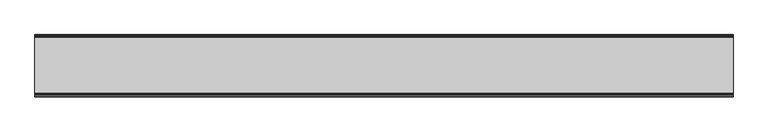
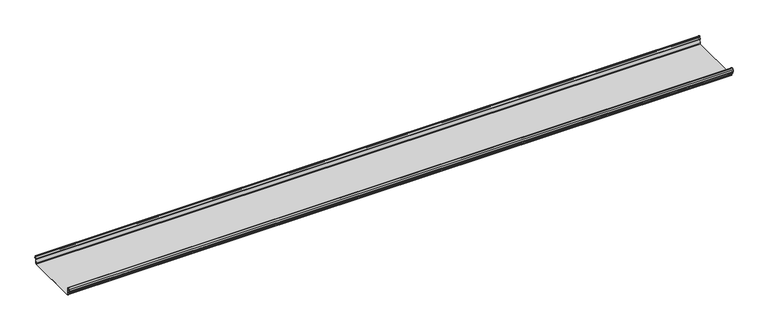
"""IFC4 building model written with IfcOpenShell, lengths in millimetres: beam geometry."""

from ifc_helpers import new_model, si_unit, frame, origin, place, context, project, spatial, polyline, circle_curve, source, transform, mapped, element, save
from ifc_brep_helpers import plane_surface, cylinder_surface, revolved_surface, advanced_brep


def beam_8e230a70(model_context):
    return source(origin(), model_context, "Body", "AdvancedBrep", [
        advanced_brep(
        [(1987.3758419, 174.5298471, 17.4730576), (1987.3758419, 169.9958217, 21.2486363), (1987.3758419, 165.4890072, 17.6093124), (1987.3758419, 163.0420077, 6.2503755), (1987.3758419, 164.7006671, 3.7959761), (1987.3758419, 165.8698319, 2.0849359), (1987.3758419, 164.3793103, -21.3247551), (1987.3758419, 160.6848586, -24.7896475), (1987.3758419, -159.5640942, -24.7896475), (1987.3758419, -163.2568715, -21.3207217), (1987.3758419, -164.7263748, 2.1632779), (1987.3758419, -164.0984471, 3.0966958), (1987.3758419, -161.8868093, 6.1624874), (1987.3758419, -162.770348, 17.3389905), (1987.3758419, -170.0, 24.0196704), (1987.3758419, -177.229652, 17.3389905), (1987.3758419, -178.1131907, 6.1624874), (1987.3758419, -175.9015529, 3.0966958), (1987.3758419, -175.2736252, 2.1632779), (1987.3758419, -175.6653397, -4.0966758), (1987.3758419, -174.6633838, -4.0966758), (1987.3758419, -174.255975, 2.4140875), (1987.3758419, -175.661391, 4.0675496), (1987.3758419, -177.1158116, 6.08368), (1987.3758419, -176.2261211, 17.3379999), (1987.3758419, -170.0, 23.0196704), (1987.3758419, -163.767144, 17.2589936), (1987.3758419, -162.8795452, 6.0037927), (1987.3758419, -164.338609, 4.0675496), (1987.3758419, -165.744025, 2.4140875), (1987.3758419, -164.2549195, -21.3831743), (1987.3758419, -159.5640942, -25.7896475), (1987.3758419, 160.6846135, -25.7896475), (1987.3758419, 165.3772895, -21.3882975), (1987.3758419, 166.868024, 2.0247376), (1987.3758419, 164.9644432, 4.7613501), (1987.3758419, 164.0277999, 6.0779003), (1987.3758419, 166.4434849, 17.2822335), (1987.3758419, 170.0063307, 20.2496221), (1987.3758419, 173.4803249, 17.6539317), (1987.3758419, 175.5075757, 6.5459412), (1987.3758419, 176.5074356, 6.7299959), (-1987.3758419, 174.5298471, 17.4730576), (-1987.3758419, 176.5074356, 6.7299959), (-1987.3758419, 175.5075757, 6.5459412), (-1987.3758419, 173.4803249, 17.6539317), (-1987.3758419, 170.0063307, 20.2496221), (-1987.3758419, 166.4434849, 17.2822335), (-1987.3758419, 164.0277999, 6.0779003), (-1987.3758419, 164.9644432, 4.7613501), (-1987.3758419, 166.868024, 2.0247376), (-1987.3758419, 165.3772895, -21.3882975), (-1987.3758419, 160.6846135, -25.7896475), (-1987.3758419, -159.5640942, -25.7896475), (-1987.3758419, -164.2549195, -21.3831743), (-1987.3758419, -165.744025, 2.4140875), (-1987.3758419, -164.338609, 4.0675496), (-1987.3758419, -162.8795452, 6.0037927), (-1987.3758419, -163.767144, 17.2589936), (-1987.3758419, -170.0, 23.0196704), (-1987.3758419, -176.2261211, 17.3379999), (-1987.3758419, -177.1158116, 6.08368), (-1987.3758419, -175.661391, 4.0675496), (-1987.3758419, -174.255975, 2.4140875), (-1987.3758419, -174.6633838, -4.0966758), (-1987.3758419, -175.6653397, -4.0966758), (-1987.3758419, -175.2736252, 2.1632779), (-1987.3758419, -175.9015529, 3.0966958), (-1987.3758419, -178.1066021, 6.2458324), (-1987.3758419, -177.229652, 17.3389905), (-1987.3758419, -170.0, 24.0196704), (-1987.3758419, -162.770348, 17.3389905), (-1987.3758419, -161.8868093, 6.1624874), (-1987.3758419, -164.0984471, 3.0966958), (-1987.3758419, -164.7263748, 2.1632779), (-1987.3758419, -163.2568715, -21.3207217), (-1987.3758419, -159.5640942, -24.7896475), (-1987.3758419, 160.6848586, -24.7896475), (-1987.3758419, 164.3793103, -21.3247551), (-1987.3758419, 165.8698319, 2.0849359), (-1987.3758419, 164.7006671, 3.7959761), (-1987.3758419, 163.0420077, 6.2503755), (-1987.3758419, 165.4890072, 17.6093124), (-1987.3758419, 169.9958217, 21.2486363)],
        [
            (0, 1, circle_curve(frame((1987.3758419, 169.9958217, 16.6384317), z_axis=(1.0, 0.0, 0.0), x_axis=(0.0, 1.0, 0.0)), 4.6102046)),
            (1, 2, circle_curve(frame((1987.3758419, 169.9958217, 16.6384317), z_axis=(1.0, 0.0, 0.0), x_axis=(0.0, 0.2105938444020083, 0.9775736456656259)), 4.6102046)),
            (2, 3),
            (3, 4, circle_curve(frame((1987.3758419, 165.4262002, 6.073937), z_axis=(1.0, 0.0, 0.0), x_axis=(0.0, -0.9528378408797884, 0.30347989881958104)), 2.3907121)),
            (4, 5, circle_curve(frame((1987.3758419, 164.1897695, 2.1919074), z_axis=(-1.0, 0.0, 0.0), x_axis=(0.0, 0.06354246328302078, 0.9979791357337717)), 1.6834645)),
            (5, 6),
            (6, 7, circle_curve(frame((1987.3758419, 160.6867875, -21.089648), z_axis=(-1.0, 0.0, 0.0), x_axis=(0.0, 0.9999998641088232, -0.0005213274739325337)), 3.7)),
            (7, 8),
            (8, 9, circle_curve(frame((1987.3758419, -159.5640942, -21.0896475), z_axis=(-1.0, 0.0, 0.0), x_axis=(0.0, 0.062452508687223206, -0.9980479368039755)), 3.7)),
            (9, 10),
            (10, 11, circle_curve(frame((1987.3758419, -163.8044049, 2.2209698), z_axis=(-1.0, 0.0, 0.0), x_axis=(0.0, -0.9479881328261025, -0.31830567073314897)), 0.9237732)),
            (11, 12, circle_curve(frame((1987.3758419, -164.7984694, 5.9323112), z_axis=(1.0, 0.0, 0.0), x_axis=(0.0, 0.07880737243916666, -0.9968898625471294)), 2.9207441)),
            (12, 13),
            (13, 14, circle_curve(frame((1987.3758419, -170.0, 16.7674631), z_axis=(1.0, 0.0, 0.0), x_axis=(0.0, 1.0, 0.0)), 7.2522073)),
            (14, 15, circle_curve(frame((1987.3758419, -170.0, 16.7674631), z_axis=(1.0, 0.0, 0.0), x_axis=(0.0, 0.07880737243912425, 0.9968898625471327)), 7.2522073)),
            (15, 16),
            (16, 17, circle_curve(frame((1987.3758419, -175.2001089, 5.9344165), z_axis=(1.0, 0.0, 0.0), x_axis=(0.0, -0.9707819351134729, 0.2399634023290655)), 2.9231288)),
            (17, 18, circle_curve(frame((1987.3758419, -176.1025472, 2.2835649), z_axis=(-1.0, 0.0, 0.0), x_axis=(0.0, 0.14360843272178178, 0.9896345881441257)), 0.8376041)),
            (18, 19),
            (19, 20, circle_curve(frame((1987.3758419, -175.1643617, -4.0966758), z_axis=(1.0, 0.0, 0.0), x_axis=(0.0, 0.0, -1.0)), 0.5009779)),
            (20, 21),
            (21, 22, circle_curve(frame((1987.3758419, -176.1062911, 2.2653702), z_axis=(1.0, 0.0, 0.0), x_axis=(0.0, 0.9708537722163966, -0.23967259537375799)), 1.856283)),
            (22, 23, circle_curve(frame((1987.3758419, -175.2010412, 5.9323112), z_axis=(-1.0, 0.0, 0.0), x_axis=(0.0, -0.07880737243914376, -0.9968898625471312)), 1.9207441)),
            (23, 24),
            (24, 25, circle_curve(frame((1987.3758419, -170.0770494, 16.8518958), z_axis=(-1.0, 0.0, 0.0), x_axis=(0.0, -0.9999219808421378, 0.012491286112139365)), 6.1682558)),
            (25, 26, circle_curve(frame((1987.3758419, -170.0791743, 16.6817991), z_axis=(-1.0, 0.0, 0.0), x_axis=(0.0, -0.09106361391821856, 0.9958450774192508)), 6.3383658)),
            (26, 27),
            (27, 28, circle_curve(frame((1987.3758419, -164.70299, 5.8599936), z_axis=(-1.0, 0.0, 0.0), x_axis=(0.0, 0.9799562955839813, 0.19921259685401593)), 1.8291061)),
            (28, 29, circle_curve(frame((1987.3758419, -163.9886548, 2.3460727), z_axis=(1.0, 0.0, 0.0), x_axis=(0.0, 0.03871763325448635, 0.9992501913310655)), 1.7566874)),
            (29, 30),
            (30, 31, circle_curve(frame((1987.3758419, -159.5640942, -21.0896475), z_axis=(1.0, 0.0, 0.0), x_axis=(0.0, -1.0, 0.0)), 4.7)),
            (31, 32),
            (32, 33, circle_curve(frame((1987.3758419, 160.6846135, -21.0873301), z_axis=(1.0, 0.0, 0.0), x_axis=(0.0, -0.06400407594283139, -0.997949637137418)), 4.7023174)),
            (33, 34),
            (34, 35, circle_curve(frame((1987.3758419, 164.1939121, 2.1950013), z_axis=(1.0, 0.0, 0.0), x_axis=(0.0, 0.9577619201002135, -0.2875623487279797)), 2.6795268)),
            (35, 36, circle_curve(frame((1987.3758419, 165.0972859, 5.8473161), z_axis=(-1.0, 0.0, 0.0), x_axis=(0.0, -0.210759855052358, -0.9775378680635902)), 1.094061)),
            (36, 37),
            (37, 38, circle_curve(frame((1987.3758419, 170.0063307, 16.627032), z_axis=(-1.0, 0.0, 0.0), x_axis=(0.0, -1.0, 0.0)), 3.6225901)),
            (38, 39, circle_curve(frame((1987.3758419, 170.0063307, 16.627032), z_axis=(-1.0, 0.0, 0.0), x_axis=(0.0, -0.2834711363957483, 0.9589807687490417)), 3.6225901)),
            (39, 40),
            (40, 41, circle_curve(frame((1987.3758419, 176.0075057, 6.6379685), z_axis=(1.0, 0.0, 0.0), x_axis=(0.0, 0.18103878268247353, -0.9834759575937014)), 0.5083296)),
            (41, 0),
            (42, 43),
            (43, 44, circle_curve(frame((-1987.3758419, 176.0075057, 6.6379685), z_axis=(-1.0, 0.0, 0.0), x_axis=(0.0, 0.18103878268247353, -0.9834759575937014)), 0.5083296)),
            (44, 45),
            (45, 46, circle_curve(frame((-1987.3758419, 170.0063307, 16.627032), z_axis=(1.0, 0.0, 0.0), x_axis=(0.0, -0.2834711363957483, 0.9589807687490417)), 3.6225901)),
            (46, 47, circle_curve(frame((-1987.3758419, 170.0063307, 16.627032), z_axis=(1.0, 0.0, 0.0), x_axis=(0.0, -1.0, 0.0)), 3.6225901)),
            (47, 48),
            (48, 49, circle_curve(frame((-1987.3758419, 165.0972859, 5.8473161), z_axis=(1.0, 0.0, 0.0), x_axis=(0.0, -0.210759855052358, -0.9775378680635902)), 1.094061)),
            (49, 50, circle_curve(frame((-1987.3758419, 164.1939121, 2.1950013), z_axis=(-1.0, 0.0, 0.0), x_axis=(0.0, 0.9577619201002135, -0.2875623487279797)), 2.6795268)),
            (50, 51),
            (51, 52, circle_curve(frame((-1987.3758419, 160.6846135, -21.0873301), z_axis=(-1.0, 0.0, 0.0), x_axis=(0.0, -0.06400407594283139, -0.997949637137418)), 4.7023174)),
            (52, 53),
            (53, 54, circle_curve(frame((-1987.3758419, -159.5640942, -21.0896475), z_axis=(-1.0, 0.0, 0.0), x_axis=(0.0, -1.0, 0.0)), 4.7)),
            (54, 55),
            (55, 56, circle_curve(frame((-1987.3758419, -163.9886548, 2.3460727), z_axis=(-1.0, 0.0, 0.0), x_axis=(0.0, 0.03871763325448635, 0.9992501913310655)), 1.7566874)),
            (56, 57, circle_curve(frame((-1987.3758419, -164.70299, 5.8599936), z_axis=(1.0, 0.0, 0.0), x_axis=(0.0, 0.9799562955839813, 0.19921259685401593)), 1.8291061)),
            (57, 58),
            (58, 59, circle_curve(frame((-1987.3758419, -170.0791743, 16.6817991), z_axis=(1.0, 0.0, 0.0), x_axis=(0.0, -0.09106361391821856, 0.9958450774192508)), 6.3383658)),
            (59, 60, circle_curve(frame((-1987.3758419, -170.0770494, 16.8518958), z_axis=(1.0, 0.0, 0.0), x_axis=(0.0, -0.9999219808421378, 0.012491286112139365)), 6.1682558)),
            (60, 61),
            (61, 62, circle_curve(frame((-1987.3758419, -175.2010412, 5.9323112), z_axis=(1.0, 0.0, 0.0), x_axis=(0.0, -0.07880737243914376, -0.9968898625471312)), 1.9207441)),
            (62, 63, circle_curve(frame((-1987.3758419, -176.1062911, 2.2653702), z_axis=(-1.0, 0.0, 0.0), x_axis=(0.0, 0.9708537722163966, -0.23967259537375799)), 1.856283)),
            (63, 64),
            (64, 65, circle_curve(frame((-1987.3758419, -175.1643617, -4.0966758), z_axis=(-1.0, 0.0, 0.0), x_axis=(0.0, 0.0, -1.0)), 0.5009779)),
            (65, 66),
            (66, 67, circle_curve(frame((-1987.3758419, -176.1025472, 2.2835649), z_axis=(1.0, 0.0, 0.0), x_axis=(0.0, 0.14360843272178178, 0.9896345881441257)), 0.8376041)),
            (67, 68, circle_curve(frame((-1987.3758419, -175.2001089, 5.9344165), z_axis=(-1.0, 0.0, 0.0), x_axis=(0.0, -0.9707819351134729, 0.2399634023290655)), 2.9231288)),
            (68, 69),
            (69, 70, circle_curve(frame((-1987.3758419, -170.0, 16.7674631), z_axis=(-1.0, 0.0, 0.0), x_axis=(0.0, 0.07880737243912425, 0.9968898625471327)), 7.2522073)),
            (70, 71, circle_curve(frame((-1987.3758419, -170.0, 16.7674631), z_axis=(-1.0, 0.0, 0.0), x_axis=(0.0, 1.0, 0.0)), 7.2522073)),
            (71, 72),
            (72, 73, circle_curve(frame((-1987.3758419, -164.7984694, 5.9323112), z_axis=(-1.0, 0.0, 0.0), x_axis=(0.0, 0.07880737243916666, -0.9968898625471294)), 2.9207441)),
            (73, 74, circle_curve(frame((-1987.3758419, -163.8044049, 2.2209698), z_axis=(1.0, 0.0, 0.0), x_axis=(0.0, -0.9479881328261025, -0.31830567073314897)), 0.9237732)),
            (74, 75),
            (75, 76, circle_curve(frame((-1987.3758419, -159.5640942, -21.0896475), z_axis=(1.0, 0.0, 0.0), x_axis=(0.0, 0.062452508687223206, -0.9980479368039755)), 3.7)),
            (76, 77),
            (77, 78, circle_curve(frame((-1987.3758419, 160.6867875, -21.089648), z_axis=(1.0, 0.0, 0.0), x_axis=(0.0, 0.9999998641088232, -0.0005213274739325337)), 3.7)),
            (78, 79),
            (79, 80, circle_curve(frame((-1987.3758419, 164.1897695, 2.1919074), z_axis=(1.0, 0.0, 0.0), x_axis=(0.0, 0.06354246328302078, 0.9979791357337717)), 1.6834645)),
            (80, 81, circle_curve(frame((-1987.3758419, 165.4262002, 6.073937), z_axis=(-1.0, 0.0, 0.0), x_axis=(0.0, -0.9528378408797884, 0.30347989881958104)), 2.3907121)),
            (81, 82),
            (82, 83, circle_curve(frame((-1987.3758419, 169.9958217, 16.6384317), z_axis=(-1.0, 0.0, 0.0), x_axis=(0.0, 0.2105938444020083, 0.9775736456656259)), 4.6102046)),
            (83, 42, circle_curve(frame((-1987.3758419, 169.9958217, 16.6384317), z_axis=(-1.0, 0.0, 0.0), x_axis=(0.0, 1.0, 0.0)), 4.6102046)),
            (42, 0),
            (41, 43),
            (40, 44),
            (39, 45),
            (38, 46),
            (37, 47),
            (36, 48),
            (35, 49),
            (34, 50),
            (33, 51),
            (32, 52),
            (31, 53),
            (30, 54),
            (29, 55),
            (28, 56),
            (27, 57),
            (26, 58),
            (25, 59),
            (24, 60),
            (23, 61),
            (22, 62),
            (21, 63),
            (20, 64),
            (19, 65),
            (18, 66),
            (17, 67),
            (16, 68),
            (15, 69),
            (14, 70),
            (13, 71),
            (12, 72),
            (11, 73),
            (10, 74),
            (9, 75),
            (8, 76),
            (7, 77),
            (6, 78),
            (5, 79),
            (4, 80),
            (3, 81),
            (2, 82),
            (1, 83),
        ],
        [
            plane_surface(frame((1987.3758419, 176.5074356, 6.7299959), z_axis=(1.0000000000000002, 0.0, 0.0), x_axis=(0.0, -0.18103878268248824, 0.9834759575936989))),
            plane_surface(frame((-1987.3758419, 176.5074356, 6.7299959), z_axis=(-1.0000000000000002, 0.0, 0.0), x_axis=(0.0, 0.18103878268248824, -0.9834759575936989))),
            plane_surface(frame((1987.3758419, 175.5186413, 12.1015267), z_axis=(0.0, 0.9834759575937931, 0.18103878268197598), x_axis=(0.0, 0.18103878268197598, -0.9834759575937931))),
            cylinder_surface(frame((1987.3758419, 176.0075057, 6.6379685), z_axis=(-1.0, 0.0, 0.0), x_axis=(0.0, 0.18103878268247353, -0.9834759575937014)), 0.5083296),
            plane_surface(frame((1987.3758419, 174.4939503, 12.0999365), z_axis=(0.0, -0.9837509798366516, -0.17953832368168063), x_axis=(0.0, -0.17953832368168063, 0.9837509798366516))),
            revolved_surface(polyline([(-1987.3758419, 168.979430967657, 20.101026238960667), (1987.3758419, 168.979430967657, 20.101026238960667)]), (1987.3758419, 170.0063307, 16.627032), (-1.0, 0.0, 0.0)),
            revolved_surface(polyline([(-1987.3758419, 166.3837406, 16.627032), (1987.3758419, 166.3837406, 16.627032)]), (1987.3758419, 170.0063307, 16.627032), (-1.0, 0.0, 0.0)),
            plane_surface(frame((1987.3758419, 165.2356424, 11.6800669), z_axis=(0.0, 0.9775378680634891, -0.2107598550528272), x_axis=(0.0, -0.2107598550528272, -0.9775378680634891))),
            revolved_surface(polyline([(-1987.3758419, 164.86670176222157, 4.77783004252848), (1987.3758419, 164.86670176222157, 4.77783004252848)]), (1987.3758419, 165.0972859, 5.8473161), (-1.0, 0.0, 0.0)),
            cylinder_surface(frame((1987.3758419, 164.1939121, 2.1950013), z_axis=(-1.0, 0.0, 0.0), x_axis=(0.0, 0.9577619201002135, -0.2875623487279797)), 2.6795268),
            plane_surface(frame((1987.3758419, 166.1226567, -9.68178), z_axis=(0.0, 0.9979791357337514, -0.06354246328334037), x_axis=(0.0, -0.06354246328334037, -0.9979791357337514))),
            cylinder_surface(frame((1987.3758419, 160.6846135, -21.0873301), z_axis=(-1.0, 0.0, 0.0), x_axis=(0.0, -0.06400407594283139, -0.997949637137418)), 4.7023174),
            plane_surface(frame((1987.3758419, 0.5602597, -25.7896475), z_axis=(0.0, 0.0, -1.0), x_axis=(0.0, -1.0, 0.0))),
            cylinder_surface(frame((1987.3758419, -159.5640942, -21.0896475), z_axis=(-1.0, 0.0, 0.0), x_axis=(0.0, -1.0, 0.0)), 4.7),
            plane_surface(frame((1987.3758419, -164.9994722, -9.4845434), z_axis=(0.0, -0.99804793680396, -0.06245250868747398), x_axis=(0.0, -0.06245250868747398, 0.99804793680396))),
            cylinder_surface(frame((1987.3758419, -163.9886548, 2.3460727), z_axis=(-1.0, 0.0, 0.0), x_axis=(0.0, 0.03871763325448635, 0.9992501913310655)), 1.7566874),
            revolved_surface(polyline([(-1987.3758419, -162.91054596201394, 6.224374576102521), (1987.3758419, -162.91054596201394, 6.224374576102521)]), (1987.3758419, -164.70299, 5.8599936), (-1.0, 0.0, 0.0)),
            plane_surface(frame((1987.3758419, -163.3233446, 11.6313931), z_axis=(0.0, -0.9969048840807634, -0.07861712342689589), x_axis=(0.0, -0.07861712342689589, 0.9969048840807634))),
            revolved_surface(polyline([(-1987.3758419, -170.65636879608365, 22.99382948081253), (1987.3758419, -170.65636879608365, 22.99382948081253)]), (1987.3758419, -170.0791743, 16.6817991), (-1.0, 0.0, 0.0)),
            revolved_surface(polyline([(-1987.3758419, -176.244823957877, 16.928945248010663), (1987.3758419, -176.244823957877, 16.928945248010663)]), (1987.3758419, -170.0770494, 16.8518958), (-1.0, 0.0, 0.0)),
            plane_surface(frame((1987.3758419, -176.6709664, 11.71084), z_axis=(0.0, 0.9968898625470921, -0.07880737243963815), x_axis=(0.0, -0.07880737243963815, -0.9968898625470921))),
            revolved_surface(polyline([(-1987.3758419, -175.35240999564897, 4.017540878162787), (1987.3758419, -175.35240999564897, 4.017540878162787)]), (1987.3758419, -175.2010412, 5.9323112), (-1.0, 0.0, 0.0)),
            cylinder_surface(frame((1987.3758419, -176.1062911, 2.2653702), z_axis=(-1.0, 0.0, 0.0), x_axis=(0.0, 0.9708537722163966, -0.23967259537375799)), 1.856283),
            plane_surface(frame((1987.3758419, -174.4596794, -0.8412941), z_axis=(0.0, 0.9980479368039222, -0.06245250868807452), x_axis=(0.0, -0.06245250868807452, -0.9980479368039222))),
            cylinder_surface(frame((1987.3758419, -175.1643617, -4.0966758), z_axis=(-1.0, 0.0, 0.0), x_axis=(0.0, 0.0, -1.0)), 0.5009779),
            plane_surface(frame((1987.3758419, -175.4694824, -0.9666989), z_axis=(0.0, -0.9980479368040358, 0.06245250868626084), x_axis=(0.0, 0.06245250868626084, 0.9980479368040358))),
            revolved_surface(polyline([(-1987.3758419, -175.98226018795768, 3.112486888531331), (1987.3758419, -175.98226018795768, 3.112486888531331)]), (1987.3758419, -176.1025472, 2.2835649), (-1.0, 0.0, 0.0)),
            cylinder_surface(frame((1987.3758419, -175.2001089, 5.9344165), z_axis=(-1.0, 0.0, 0.0), x_axis=(0.0, -0.9707819351134729, 0.2399634023290655)), 2.9231288),
            plane_surface(frame((1987.3758419, -177.6714214, 11.7507389), z_axis=(0.0, -0.9968898625471735, 0.07880737243860966), x_axis=(0.0, 0.07880737243860966, 0.9968898625471735))),
            cylinder_surface(frame((1987.3758419, -170.0, 16.7674631), z_axis=(-1.0, 0.0, 0.0), x_axis=(0.0, 0.07880737243912425, 0.9968898625471327)), 7.2522073),
            cylinder_surface(frame((1987.3758419, -170.0, 16.7674631), z_axis=(-1.0, 0.0, 0.0), x_axis=(0.0, 1.0, 0.0)), 7.2522073),
            plane_surface(frame((1987.3758419, -162.3285786, 11.7507389), z_axis=(0.0, 0.9968898625471712, 0.07880737243863836), x_axis=(0.0, 0.07880737243863836, -0.9968898625471712))),
            cylinder_surface(frame((1987.3758419, -164.7984694, 5.9323112), z_axis=(-1.0, 0.0, 0.0), x_axis=(0.0, 0.07880737243916666, -0.9968898625471294)), 2.9207441),
            revolved_surface(polyline([(-1987.3758419, -164.6801309310228, 1.9269275519686928), (1987.3758419, -164.6801309310228, 1.9269275519686928)]), (1987.3758419, -163.8044049, 2.2209698), (-1.0, 0.0, 0.0)),
            plane_surface(frame((1987.3758419, -163.9916232, -9.5787219), z_axis=(0.0, 0.9980479368039906, 0.0624525086869835), x_axis=(0.0, 0.0624525086869835, -0.9980479368039906))),
            revolved_surface(polyline([(-1987.3758419, -159.33301991785729, -24.78242486617471), (1987.3758419, -159.33301991785729, -24.78242486617471)]), (1987.3758419, -159.5640942, -21.0896475), (-1.0, 0.0, 0.0)),
            plane_surface(frame((1987.3758419, 0.5603822, -24.7896475), z_axis=(0.0, 0.0, 1.0), x_axis=(0.0, 1.0, 0.0))),
            revolved_surface(polyline([(-1987.3758419, 164.38678699720265, -21.09157691165355), (1987.3758419, 164.38678699720265, -21.09157691165355)]), (1987.3758419, 160.6867875, -21.089648), (-1.0, 0.0, 0.0)),
            plane_surface(frame((1987.3758419, 165.1245711, -9.6199096), z_axis=(0.0, -0.9979791357337828, 0.06354246328284598), x_axis=(0.0, 0.06354246328284598, 0.9979791357337828))),
            revolved_surface(polyline([(-1987.3758419, 164.29674098117954, 3.871969846748486), (1987.3758419, 164.29674098117954, 3.871969846748486)]), (1987.3758419, 164.1897695, 2.1919074), (-1.0, 0.0, 0.0)),
            cylinder_surface(frame((1987.3758419, 165.4262002, 6.073937), z_axis=(-1.0, 0.0, 0.0), x_axis=(0.0, -0.9528378408797884, 0.30347989881958104)), 2.3907121),
            plane_surface(frame((1987.3758419, 164.2655075, 11.929844), z_axis=(0.0, -0.9775736456657296, 0.21059384440152715), x_axis=(0.0, 0.21059384440152715, 0.9775736456657296))),
            cylinder_surface(frame((1987.3758419, 169.9958217, 16.6384317), z_axis=(-1.0, 0.0, 0.0), x_axis=(0.0, 0.2105938444020083, 0.9775736456656259)), 4.6102046),
            cylinder_surface(frame((1987.3758419, 169.9958217, 16.6384317), z_axis=(-1.0, 0.0, 0.0), x_axis=(0.0, 1.0, 0.0)), 4.6102046),
        ],
        [
            (0, [[1, 2, 3, 4, 5, 6, 7, 8, 9, 10, 11, 12, 13, 14, 15, 16, 17, 18, 19, 20, 21, 22, 23, 24, 25, 26, 27, 28, 29, 30, 31, 32, 33, 34, 35, 36, 37, 38, 39, 40, 41, 42]]),
            (1, [[43, 44, 45, 46, 47, 48, 49, 50, 51, 52, 53, 54, 55, 56, 57, 58, 59, 60, 61, 62, 63, 64, 65, 66, 67, 68, 69, 70, 71, 72, 73, 74, 75, 76, 77, 78, 79, 80, 81, 82, 83, 84]]),
            (2, [[-43, 85, -42, 86]]),
            (3, [[-44, -86, -41, 87]]),
            (4, [[-45, -87, -40, 88]]),
            (5, [[-46, -88, -39, 89]]),
            (6, [[-47, -89, -38, 90]]),
            (7, [[-48, -90, -37, 91]]),
            (8, [[-49, -91, -36, 92]]),
            (9, [[-50, -92, -35, 93]]),
            (10, [[-51, -93, -34, 94]]),
            (11, [[-52, -94, -33, 95]]),
            (12, [[-53, -95, -32, 96]]),
            (13, [[-54, -96, -31, 97]]),
            (14, [[-55, -97, -30, 98]]),
            (15, [[-56, -98, -29, 99]]),
            (16, [[-57, -99, -28, 100]]),
            (17, [[-58, -100, -27, 101]]),
            (18, [[-59, -101, -26, 102]]),
            (19, [[-60, -102, -25, 103]]),
            (20, [[-61, -103, -24, 104]]),
            (21, [[-62, -104, -23, 105]]),
            (22, [[-63, -105, -22, 106]]),
            (23, [[-64, -106, -21, 107]]),
            (24, [[-65, -107, -20, 108]]),
            (25, [[-66, -108, -19, 109]]),
            (26, [[-67, -109, -18, 110]]),
            (27, [[-68, -110, -17, 111]]),
            (28, [[-69, -111, -16, 112]]),
            (29, [[-70, -112, -15, 113]]),
            (30, [[-71, -113, -14, 114]]),
            (31, [[-72, -114, -13, 115]]),
            (32, [[-73, -115, -12, 116]]),
            (33, [[-74, -116, -11, 117]]),
            (34, [[-75, -117, -10, 118]]),
            (35, [[-76, -118, -9, 119]]),
            (36, [[-77, -119, -8, 120]]),
            (37, [[-78, -120, -7, 121]]),
            (38, [[-79, -121, -6, 122]]),
            (39, [[-80, -122, -5, 123]]),
            (40, [[-81, -123, -4, 124]]),
            (41, [[-82, -124, -3, 125]]),
            (42, [[-83, -125, -2, 126]]),
            (43, [[-84, -126, -1, -85]]),
        ],
    ),
    ])


if __name__ == "__main__":
    model = new_model("IFC4")
    model_context = context("Model", 3, world=origin())
    ifc_project = project(units=[si_unit("LENGTHUNIT", "METRE", prefix="MILLI")], contexts=[model_context])
    site = spatial("IfcSite", under=ifc_project)
    building = spatial("IfcBuilding", under=site)
    placement = place(None, origin())
    beam_shape = beam_8e230a70(model_context)
    element("IfcBeam", 1, at=placement, inside=building, context=model_context, shape_type="MappedRepresentation", body=[
        mapped(beam_shape, transform((0.0, 0.0, 0.0), x_axis=(1.0, 0.0, 0.0), y_axis=(0.0, 1.0, 0.0), z_axis=(0.0, 0.0, 1.0))),
    ])
    save(model, "model.ifc")
